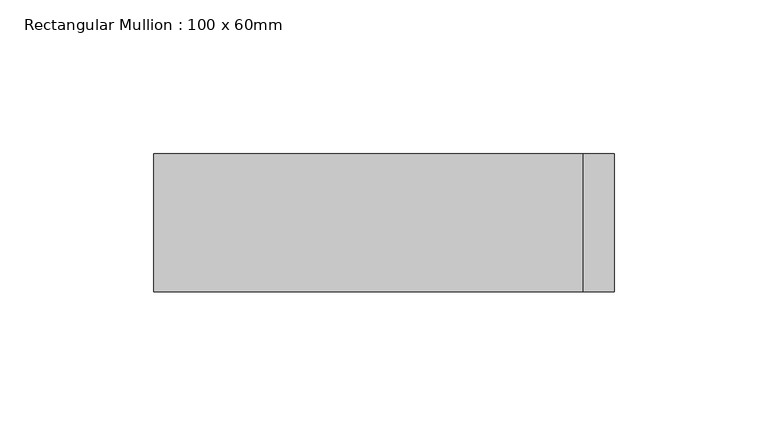
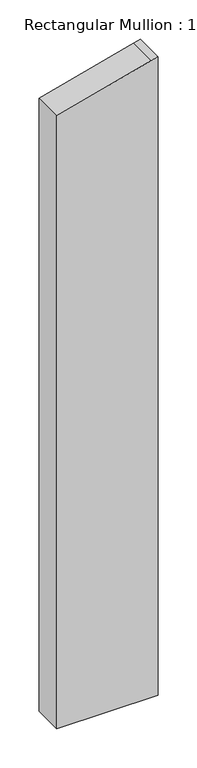
"""IFC4 building model written with IfcOpenShell, lengths in millimetres: member geometry, Rectangular Mullion : 100 x 60mm."""

from ifc_helpers import new_model, si_unit, frame, origin, place, context, project, spatial, polyline, outline, extrude, source, transform, mapped, element, save


def rectangular_mullion_100_x_60mm_eb33055a(model_context):
    return source(origin(), model_context, "Body", "SweptSolid", [
        extrude(outline(polyline([(-238.7228557, 75.0), (-241.4814566, 64.7047613), (-278.9152345, -75.0), (-1236.8339392, -75.0), (-1236.8339392, 75.0), (-238.7228557, 75.0)])), frame((0.0, -30.0, 0.0), z_axis=(0.0, 1.0, 0.0), x_axis=(0.0, 0.0, 1.0)), (0.0, 0.0, 1.0), 45.0),
    ])


if __name__ == "__main__":
    model = new_model("IFC4")
    model_context = context("Model", 3, world=origin())
    ifc_project = project(units=[si_unit("LENGTHUNIT", "METRE", prefix="MILLI")], contexts=[model_context])
    site = spatial("IfcSite", under=ifc_project)
    building = spatial("IfcBuilding", under=site)
    placement = place(None, origin())
    rectangular_mullion_100_x_60mm_shape = rectangular_mullion_100_x_60mm_eb33055a(model_context)
    element("IfcMember", 1, ObjectType="Rectangular Mullion : 100 x 60mm", at=placement, inside=building, context=model_context, shape_type="MappedRepresentation", body=[
        mapped(rectangular_mullion_100_x_60mm_shape, transform((0.0, 0.0, 0.0), x_axis=(1.0, 0.0, 0.0), y_axis=(0.0, 1.0, 0.0), z_axis=(0.0, 0.0, 1.0))),
    ])
    save(model, "model.ifc")
